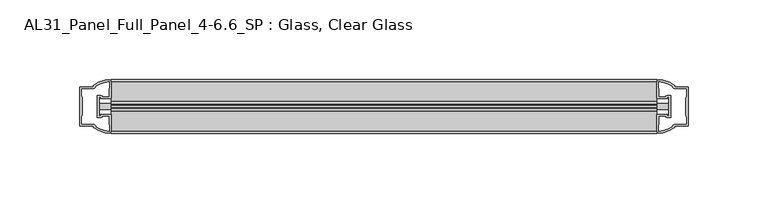
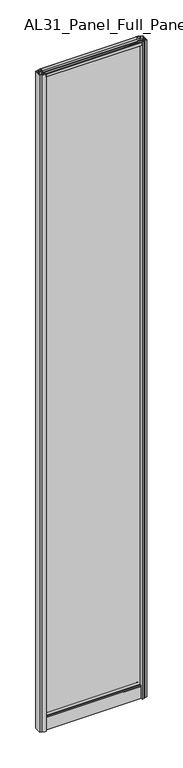
"""IFC4 building model written with IfcOpenShell, lengths in millimetres: plate geometry, AL31_Panel_Full_Panel_4-6.6_SP : Glass, Clear Glass."""

from ifc_helpers import new_model, si_unit, point, frame, frame_2d, origin, origin_with_axes, place, context, project, spatial, polyline, circle_curve, trimmed, segment, composite_curve, outline, extrude, source, transform, mapped, element, save


def al31_panel_full_panel_4_6_6_sp_glass_clear_glass_0042043e(model_context):
    return source(origin(), model_context, "Body", "SweptSolid", [
        extrude(outline(composite_curve([segment(polyline([(-1.4, 2468.8980762), (-0.85, 2467.9454483)]), True, "CONTINUOUS"), segment(trimmed(circle_curve(frame_2d((0.1, 2466.3)), 1.9), [point((-0.85, 2467.9454483))], [point((1.05, 2467.9454483))], True, "CARTESIAN"), True, "CONTINUOUS"), segment(polyline([(1.05, 2467.9454483), (1.6, 2468.8980762)]), True, "CONTINUOUS"), segment(trimmed(circle_curve(frame_2d((0.1, 2466.3)), 3.0), [point((1.6, 2468.8980762))], [point((2.5718414, 2464.6))], False, "CARTESIAN"), True, "CONTINUOUS"), segment(polyline([(2.5718414, 2464.6), (15.7, 2464.6), (15.7, 2474.0), (17.0, 2474.0), (17.0, 2463.5), (6.7024688, 2463.5), (6.7024688, 2462.7), (6.1968782, 2460.7785039), (6.1968782, 2456.1), (5.0, 2456.1), (5.0, 2461.4339746), (5.5, 2462.3), (5.5, 2463.5), (-5.5, 2463.5), (-5.5, 2462.3), (-5.0, 2461.4339746), (-5.0, 2456.1), (-6.1968782, 2456.1), (-6.1968782, 2460.7785039), (-6.7024688, 2462.7), (-6.7024688, 2463.5), (-17.0, 2463.5), (-17.0, 2474.0), (-15.7, 2474.0), (-15.7, 2464.6), (-2.3718414, 2464.6)]), True, "CONTINUOUS"), segment(trimmed(circle_curve(frame_2d((0.1, 2466.3)), 3.0), [point((-2.3718414, 2464.6))], [point((-1.4, 2468.8980762))], False, "CARTESIAN"), True, "CONTINUOUS")], self_intersect=False)), frame((-171.0810043, 0.0, 0.0), z_axis=(1.0, 0.0, 0.0), x_axis=(0.0, 1.0, 0.0)), (0.0, 0.0, 1.0), 342.1620087),
        extrude(outline(composite_curve([segment(polyline([(-178.9224257, -5.9), (-177.7224257, -5.9), (-177.7224257, -5.0), (-171.0810043, -5.0), (-171.0810043, -17.0001453)]), True, "CONTINUOUS"), segment(trimmed(circle_curve(frame_2d((-170.7163527, 2.9965302)), 20.0), [point((-171.0810043, -17.0001453))], [point((-182.4368396, -13.2093388))], False, "CARTESIAN"), True, "CONTINUOUS"), segment(polyline([(-182.4368396, -13.2093388), (-182.4368396, -12.3279343), (-191.0810043, -12.3279343), (-191.0810043, 12.3720657), (-182.4368396, 12.3720657), (-182.4368396, 13.2095249)]), True, "CONTINUOUS"), segment(trimmed(circle_curve(frame_2d((-170.7163527, -2.9963441)), 20.0), [point((-182.4368396, 13.2095249))], [point((-171.0810043, 17.0003314))], False, "CARTESIAN"), True, "CONTINUOUS"), segment(polyline([(-171.0810043, 17.0003314), (-171.0810043, 5.0), (-177.7224257, 5.0), (-177.7224257, 5.9), (-178.9224257, 5.9), (-178.9224257, -5.9)]), True, "CONTINUOUS")], self_intersect=False), holes=[composite_curve([segment(trimmed(circle_curve(frame_2d((-177.9224257, 5.7)), 1.5), [point((-177.9224257, 7.2))], [point((-176.5671714, 6.3428731))], False, "CARTESIAN"), True, "CONTINUOUS"), segment(polyline([(-176.5671714, 6.3428731), (-172.8224257, 6.3428731), (-172.8224257, 10.939223), (-172.3830859, 11.9998832), (-172.3830859, 15.6499817)]), True, "CONTINUOUS"), segment(trimmed(circle_curve(frame_2d((-170.7163527, -2.9755921)), 18.7), [point((-172.3830859, 15.6499817))], [point((-180.7231305, 12.8216987))], True, "CARTESIAN"), True, "CONTINUOUS"), segment(trimmed(circle_curve(frame_2d((-182.5224257, 12.8720657)), 1.8), [point((-180.7231305, 12.8216987))], [point((-182.5224257, 11.0720657))], False, "CARTESIAN"), True, "CONTINUOUS"), segment(polyline([(-182.5224257, 11.0720657), (-189.663847, 11.0720657), (-189.663847, 6.5019606), (-189.2224257, 5.439223), (-189.2224257, -5.3950916), (-189.7224257, -6.3879987), (-189.7224257, -11.0279343), (-182.5224257, -11.0279343)]), True, "CONTINUOUS"), segment(trimmed(circle_curve(frame_2d((-182.5224257, -12.8279343)), 1.8), [point((-182.5224257, -11.0279343))], [point((-180.7231305, -12.7775673))], False, "CARTESIAN"), True, "CONTINUOUS"), segment(trimmed(circle_curve(frame_2d((-170.7163527, 3.0197235)), 18.7), [point((-180.7231305, -12.7775673))], [point((-172.3830859, -15.6058503))], True, "CARTESIAN"), True, "CONTINUOUS"), segment(polyline([(-172.3830859, -15.6058503), (-172.3830859, -11.9557518), (-172.8224257, -10.8950916), (-172.8224257, -6.2991308), (-176.547274, -6.2991308)]), True, "CONTINUOUS"), segment(trimmed(circle_curve(frame_2d((-177.9224257, -5.7)), 1.5), [point((-176.547274, -6.2991308))], [point((-177.9224257, -7.2))], False, "CARTESIAN"), True, "CONTINUOUS"), segment(polyline([(-177.9224257, -7.2), (-180.2224257, -7.2), (-180.2224257, 7.2), (-177.9224257, 7.2)]), True, "CONTINUOUS")], self_intersect=False)]), origin_with_axes(), (0.0, 0.0, 1.0), 2474.0),
        extrude(outline(composite_curve([segment(polyline([(178.9224257, 5.9), (177.7224257, 5.9), (177.7224257, 5.0), (171.0810043, 5.0), (171.0810043, 17.0001453)]), True, "CONTINUOUS"), segment(trimmed(circle_curve(frame_2d((170.7163527, -2.9965302)), 20.0), [point((171.0810043, 17.0001453))], [point((182.4368396, 13.2093388))], False, "CARTESIAN"), True, "CONTINUOUS"), segment(polyline([(182.4368396, 13.2093388), (182.4368396, 12.3279343), (191.0810043, 12.3279343), (191.0810043, -12.3720657), (182.4368396, -12.3720657), (182.4368396, -13.2095249)]), True, "CONTINUOUS"), segment(trimmed(circle_curve(frame_2d((170.7163527, 2.9963441)), 20.0), [point((182.4368396, -13.2095249))], [point((171.0810043, -17.0003314))], False, "CARTESIAN"), True, "CONTINUOUS"), segment(polyline([(171.0810043, -17.0003314), (171.0810043, -5.0), (177.7224257, -5.0), (177.7224257, -5.9), (178.9224257, -5.9), (178.9224257, 5.9)]), True, "CONTINUOUS")], self_intersect=False), holes=[composite_curve([segment(trimmed(circle_curve(frame_2d((177.9224257, -5.7)), 1.5), [point((177.9224257, -7.2))], [point((176.5671714, -6.3428731))], False, "CARTESIAN"), True, "CONTINUOUS"), segment(polyline([(176.5671714, -6.3428731), (172.8224257, -6.3428731), (172.8224257, -10.939223), (172.3830859, -11.9998832), (172.3830859, -15.6499817)]), True, "CONTINUOUS"), segment(trimmed(circle_curve(frame_2d((170.7163527, 2.9755921)), 18.7), [point((172.3830859, -15.6499817))], [point((180.7231305, -12.8216987))], True, "CARTESIAN"), True, "CONTINUOUS"), segment(trimmed(circle_curve(frame_2d((182.5224257, -12.8720657)), 1.8), [point((180.7231305, -12.8216987))], [point((182.5224257, -11.0720657))], False, "CARTESIAN"), True, "CONTINUOUS"), segment(polyline([(182.5224257, -11.0720657), (189.663847, -11.0720657), (189.663847, -6.5019606), (189.2224257, -5.439223), (189.2224257, 5.3950916), (189.7224257, 6.3879987), (189.7224257, 11.0279343), (182.5224257, 11.0279343)]), True, "CONTINUOUS"), segment(trimmed(circle_curve(frame_2d((182.5224257, 12.8279343)), 1.8), [point((182.5224257, 11.0279343))], [point((180.7231305, 12.7775673))], False, "CARTESIAN"), True, "CONTINUOUS"), segment(trimmed(circle_curve(frame_2d((170.7163527, -3.0197235)), 18.7), [point((180.7231305, 12.7775673))], [point((172.3830859, 15.6058503))], True, "CARTESIAN"), True, "CONTINUOUS"), segment(polyline([(172.3830859, 15.6058503), (172.3830859, 11.9557518), (172.8224257, 10.8950916), (172.8224257, 6.2991308), (176.547274, 6.2991308)]), True, "CONTINUOUS"), segment(trimmed(circle_curve(frame_2d((177.9224257, 5.7)), 1.5), [point((176.547274, 6.2991308))], [point((177.9224257, 7.2))], False, "CARTESIAN"), True, "CONTINUOUS"), segment(polyline([(177.9224257, 7.2), (180.2224257, 7.2), (180.2224257, -7.2), (177.9224257, -7.2)]), True, "CONTINUOUS")], self_intersect=False)]), origin_with_axes(), (0.0, 0.0, 1.0), 2474.0),
        extrude(outline(composite_curve([segment(trimmed(circle_curve(frame_2d((-8.4, 34.8)), 1.0), [point((-8.4, 35.8))], [point((-9.4, 34.8))], True, "CARTESIAN"), True, "CONTINUOUS"), segment(polyline([(-9.4, 34.8), (-9.4, 33.5), (-5.0000303, 33.5), (-5.0000303, 32.3), (-9.4, 32.3), (-9.4, 0.0), (-10.6, 0.0), (-10.6, 47.3)]), True, "CONTINUOUS"), segment(trimmed(circle_curve(frame_2d((-8.6, 47.3)), 2.0), [point((-10.6, 47.3))], [point((-8.6, 49.3))], False, "CARTESIAN"), True, "CONTINUOUS"), segment(polyline([(-8.6, 49.3), (-5.0, 49.3), (-5.0, 41.9), (5.0, 41.9), (5.0, 49.3), (8.6, 49.3)]), True, "CONTINUOUS"), segment(trimmed(circle_curve(frame_2d((8.6, 47.3)), 2.0), [point((8.6, 49.3))], [point((10.6, 47.3))], False, "CARTESIAN"), True, "CONTINUOUS"), segment(polyline([(10.6, 47.3), (10.6, 0.0), (9.4, 0.0), (9.4, 32.3), (4.9999697, 32.3), (4.9999697, 33.5), (9.4, 33.5), (9.4, 34.8)]), True, "CONTINUOUS"), segment(trimmed(circle_curve(frame_2d((8.4, 34.8)), 1.0), [point((9.4, 34.8))], [point((8.4, 35.8))], True, "CARTESIAN"), True, "CONTINUOUS"), segment(polyline([(8.4, 35.8), (-8.4, 35.8)]), True, "CONTINUOUS")], self_intersect=False), holes=[composite_curve([segment(trimmed(circle_curve(frame_2d((5.5024688, 41.8)), 1.0), [point((6.5024688, 41.8))], [point((5.5024688, 40.8))], False, "CARTESIAN"), True, "CONTINUOUS"), segment(polyline([(5.5024688, 40.8), (2.8008965, 40.8), (2.8008965, 39.7274194), (1.8370508, 39.7274194)]), True, "CONTINUOUS"), segment(trimmed(circle_curve(frame_2d((0.0, 38.7)), 2.1048387), [point((1.8370508, 39.7274194))], [point((-1.8370508, 39.7274194))], True, "CARTESIAN"), True, "CONTINUOUS"), segment(polyline([(-1.8370508, 39.7274194), (-2.8008965, 39.7274194), (-2.8008965, 40.8), (-5.5024688, 40.8)]), True, "CONTINUOUS"), segment(trimmed(circle_curve(frame_2d((-5.5024688, 41.8)), 1.0), [point((-5.5024688, 40.8))], [point((-6.5024688, 41.8))], False, "CARTESIAN"), True, "CONTINUOUS"), segment(polyline([(-6.5024688, 41.8), (-6.5024688, 42.7)]), True, "CONTINUOUS"), segment(trimmed(circle_curve(frame_2d((-5.3024688, 42.7)), 1.2), [point((-6.5024688, 42.7))], [point((-6.1198184, 43.5786009))], False, "CARTESIAN"), True, "CONTINUOUS"), segment(polyline([(-6.1198184, 43.5786009), (-6.1198184, 48.2), (-8.4, 48.2)]), True, "CONTINUOUS"), segment(trimmed(circle_curve(frame_2d((-8.4, 47.2)), 1.0), [point((-8.4, 48.2))], [point((-9.4, 47.2))], True, "CARTESIAN"), True, "CONTINUOUS"), segment(polyline([(-9.4, 47.2), (-9.4, 37.04), (-2.8008965, 37.04), (-2.8008965, 38.0725806), (-1.8370508, 38.0725806)]), True, "CONTINUOUS"), segment(trimmed(circle_curve(frame_2d((0.0, 39.1)), 2.1048387), [point((-1.8370508, 38.0725806))], [point((1.8370508, 38.0725806))], True, "CARTESIAN"), True, "CONTINUOUS"), segment(polyline([(1.8370508, 38.0725806), (2.8008965, 38.0725806), (2.8008965, 37.04), (9.4, 37.04), (9.4, 47.2)]), True, "CONTINUOUS"), segment(trimmed(circle_curve(frame_2d((8.4, 47.2)), 1.0), [point((9.4, 47.2))], [point((8.4, 48.2))], True, "CARTESIAN"), True, "CONTINUOUS"), segment(polyline([(8.4, 48.2), (6.1198184, 48.2), (6.1198184, 43.7786009)]), True, "CONTINUOUS"), segment(trimmed(circle_curve(frame_2d((5.3024688, 42.9)), 1.2), [point((6.1198184, 43.7786009))], [point((6.5024688, 42.9))], False, "CARTESIAN"), True, "CONTINUOUS"), segment(polyline([(6.5024688, 42.9), (6.5024688, 41.8)]), True, "CONTINUOUS")], self_intersect=False)]), frame((-171.0810043, 0.0, 0.0), z_axis=(1.0, 0.0, 0.0), x_axis=(0.0, 1.0, 0.0)), (0.0, 0.0, 1.0), 342.1620087),
        extrude(outline(polyline([(178.9224257, 2.0), (178.9224257, -2.0), (-178.9224257, -2.0), (-178.9224257, 2.0), (178.9224257, 2.0)])), frame((0.0, 0.0, 41.9), z_axis=(0.0, 0.0, 1.0), x_axis=(1.0, 0.0, 0.0)), (0.0, 0.0, 1.0), 2421.6),
    ])


if __name__ == "__main__":
    model = new_model("IFC4")
    model_context = context("Model", 3, world=origin())
    ifc_project = project(units=[si_unit("LENGTHUNIT", "METRE", prefix="MILLI")], contexts=[model_context])
    site = spatial("IfcSite", under=ifc_project)
    building = spatial("IfcBuilding", under=site)
    placement = place(None, origin())
    al31_panel_full_panel_4_6_6_sp_glass_clear_glass_shape = al31_panel_full_panel_4_6_6_sp_glass_clear_glass_0042043e(model_context)
    element("IfcPlate", 1, ObjectType="AL31_Panel_Full_Panel_4-6.6_SP : Glass, Clear Glass", at=placement, inside=building, context=model_context, shape_type="MappedRepresentation", body=[
        mapped(al31_panel_full_panel_4_6_6_sp_glass_clear_glass_shape, transform((0.0, 0.0, 0.0), x_axis=(1.0, 0.0, 0.0), y_axis=(0.0, 1.0, 0.0), z_axis=(0.0, 0.0, 1.0))),
    ])
    save(model, "model.ifc")
